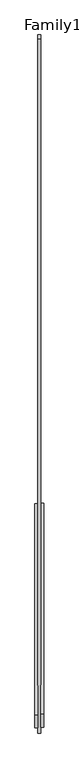
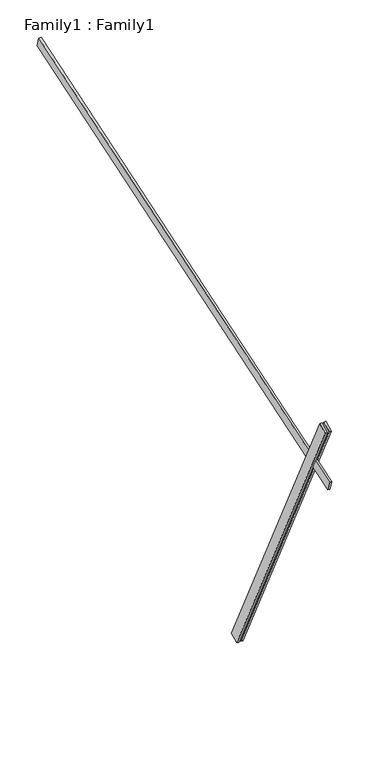
"""IFC4 building model written with IfcOpenShell, lengths in millimetres: proxy geometry, Family1 : Family1."""

import ifcopenshell
import ifcopenshell.guid

model = None  # the IFC model being written
_history = None  # IfcOwnerHistory: only IFC2X3 demands one
_inside = {}  # id of a spatial element -> (the spatial element, [elements in it])
_under = {}  # id of a project, library or spatial element -> (it, [spatial elements below it])
_declared = {}  # id of a project -> (the project, [libraries it declares])
_typed = {}  # id of a type object -> (the type object, [elements of that type])
_made_of = {}  # id of a material, layer set ... -> (it, [elements and type objects made of it])


def new_model(schema):
    """Start an empty IFC model of exactly this schema.

    Asked for "IFC4X3", IfcOpenShell would pick the latest addendum, in which some entities
    have other attributes; the version numbers below select the first issue.
    IFC2X3 requires an IfcOwnerHistory on every rooted entity: one is made here for all.
    """
    global model, _history
    if schema == "IFC4X3":
        model = ifcopenshell.file(schema_version=(4, 3, 0, 0))
    else:
        model = ifcopenshell.file(schema=schema)
    _inside.clear()
    _under.clear()
    _declared.clear()
    _typed.clear()
    _made_of.clear()
    _history = None
    if model.schema == "IFC2X3":
        org = make("IfcOrganization", Name="unknown")
        user = make(
            "IfcPersonAndOrganization",
            ThePerson=make("IfcPerson", FamilyName="unknown"),
            TheOrganization=org,
        )
        app = make(
            "IfcApplication",
            ApplicationDeveloper=org,
            Version="unknown",
            ApplicationFullName="unknown",
            ApplicationIdentifier="unknown",
        )
        _history = make(
            "IfcOwnerHistory",
            OwningUser=user,
            OwningApplication=app,
            ChangeAction="ADDED",
            CreationDate=0,
        )
    return model


def make(cls, **values):
    """One entity of the class cls with the attributes given. An attribute that is None is left unset."""
    return model.create_entity(
        cls, **{name: value for name, value in values.items() if value is not None}
    )


def rooted(cls, **values):
    """An entity with a GlobalId (a new one), such as an element, a storey or a relation."""
    return make(cls, GlobalId=ifcopenshell.guid.new(), OwnerHistory=_history, **values)


def si_unit(unit_type, name, prefix=None):
    """IfcSIUnit, for example si_unit("LENGTHUNIT", "METRE", prefix="MILLI")."""
    return make("IfcSIUnit", UnitType=unit_type, Prefix=prefix, Name=name)


def assignment(units):
    """IfcUnitAssignment: the units of a project."""
    return None if units is None else make("IfcUnitAssignment", Units=units)


def point(xyz):
    """IfcCartesianPoint."""
    return None if xyz is None else make("IfcCartesianPoint", Coordinates=xyz)


def direction(xyz):
    """IfcDirection."""
    return None if xyz is None else make("IfcDirection", DirectionRatios=xyz)


def frame(location, z_axis=None, x_axis=None):
    """IfcAxis2Placement3D, a coordinate frame: its origin and axes. An axis left out is left unset."""
    return make(
        "IfcAxis2Placement3D",
        Location=point(location),
        Axis=direction(z_axis),
        RefDirection=direction(x_axis),
    )


def origin():
    """The frame at (0, 0, 0) with its axes left unset."""
    return frame((0.0, 0.0, 0.0))


def place(relative_to, where):
    """IfcLocalPlacement: puts the frame where relative to a parent placement (None: the world)."""
    return make(
        "IfcLocalPlacement", PlacementRelTo=relative_to, RelativePlacement=where
    )


def context(
    kind, dimensions, precision=None, world=None, true_north=None, identifier=None
):
    """IfcGeometricRepresentationContext, for example the 3D "Model" context."""
    return make(
        "IfcGeometricRepresentationContext",
        ContextIdentifier=identifier,
        ContextType=kind,
        CoordinateSpaceDimension=dimensions,
        Precision=precision,
        WorldCoordinateSystem=world,
        TrueNorth=true_north,
    )


def project(units=None, contexts=None):
    """IfcProject with its units and contexts."""
    return rooted(
        "IfcProject",
        Name="project",
        RepresentationContexts=contexts,
        UnitsInContext=assignment(units),
    )


def spatial(cls, under=None, at=None, **own):
    """A site, building, storey or space (cls), placed at a placement, below another one or the project."""
    s = rooted(cls, ObjectPlacement=at, **own)
    if under is not None:
        _under.setdefault(under.id(), (under, []))[1].append(s)
    return s


def polyline(points):
    """IfcPolyline through the points."""
    return make("IfcPolyline", Points=[point(p) for p in points])


def outline(outer, holes=None, kind="AREA"):
    """IfcArbitraryClosedProfileDef: a profile drawn as a closed curve; with holes, ...WithVoids."""
    if holes is None:
        return make("IfcArbitraryClosedProfileDef", ProfileType=kind, OuterCurve=outer)
    return make(
        "IfcArbitraryProfileDefWithVoids",
        ProfileType=kind,
        OuterCurve=outer,
        InnerCurves=holes,
    )


def extrude(swept, where, along, depth):
    """IfcExtrudedAreaSolid: the profile swept, set in the frame where, extruded along a direction by depth."""
    return make(
        "IfcExtrudedAreaSolid",
        SweptArea=swept,
        Position=where,
        ExtrudedDirection=direction(along),
        Depth=depth,
    )


def shape(context_of_items, identifier, shape_type, items):
    """IfcShapeRepresentation: the items that make up one representation, for example the "Body"."""
    return make(
        "IfcShapeRepresentation",
        ContextOfItems=context_of_items,
        RepresentationIdentifier=identifier,
        RepresentationType=shape_type,
        Items=items,
    )


def source(mapping_origin, context_of_items, identifier, shape_type, items):
    """IfcRepresentationMap: a shape defined once, which mapped items show again and again."""
    return make(
        "IfcRepresentationMap",
        MappingOrigin=mapping_origin,
        MappedRepresentation=shape(context_of_items, identifier, shape_type, items),
    )


def transform(
    local_origin,
    x_axis=None,
    y_axis=None,
    z_axis=None,
    scale=None,
    scale2=None,
    scale3=None,
    uniform=True,
):
    """IfcCartesianTransformationOperator3D, or its non-uniform kind. x_axis, y_axis, z_axis: its Axis1, 2, 3."""
    if uniform:
        return make(
            "IfcCartesianTransformationOperator3D",
            Axis1=direction(x_axis),
            Axis2=direction(y_axis),
            LocalOrigin=point(local_origin),
            Scale=scale,
            Axis3=direction(z_axis),
        )
    return make(
        "IfcCartesianTransformationOperator3DnonUniform",
        Axis1=direction(x_axis),
        Axis2=direction(y_axis),
        LocalOrigin=point(local_origin),
        Scale=scale,
        Axis3=direction(z_axis),
        Scale2=scale2,
        Scale3=scale3,
    )


def mapped(mapping_source, mapping_target):
    """IfcMappedItem: shows the shape of a source again, moved by a transform."""
    return make(
        "IfcMappedItem", MappingSource=mapping_source, MappingTarget=mapping_target
    )


def made_of(thing, what):
    """Note that an element or type object is made of a material, layer set ...; save() writes the relation."""
    if what is not None:
        _made_of.setdefault(what.id(), (what, []))[1].append(thing)
    return thing


def element(
    cls,
    number,
    at=None,
    inside=None,
    cuts=None,
    type_object=None,
    material=None,
    context=None,
    identifier="Body",
    shape_type=None,
    held_by="IfcProductDefinitionShape",
    body=None,
    shapes=None,
    **own,
):
    """One element of the class cls, such as IfcWall. Its Tag is "e" and its number.

    at: its placement. inside: the storey or other place that contains it. cuts: it is an
    opening in that element (IfcRelVoidsElement). A single representation is given by context,
    identifier, shape_type and body (its items); several are given by shapes. held_by: the class
    of the entity that holds the representations. save() writes the other relations.
    """
    e = rooted(cls, Tag="e%d" % number, ObjectPlacement=at, **own)
    if body is not None:
        shapes = [shape(context, identifier, shape_type, body)]
    if shapes is not None:
        e.Representation = make(held_by, Representations=shapes)
    if inside is not None:
        _inside.setdefault(inside.id(), (inside, []))[1].append(e)
    if cuts is not None:
        rooted(
            "IfcRelVoidsElement", RelatingBuildingElement=cuts, RelatedOpeningElement=e
        )
    if type_object is not None:
        _typed.setdefault(type_object.id(), (type_object, []))[1].append(e)
    return made_of(e, material)


def aggregate(whole, parts):
    """IfcRelAggregates: a whole, such as a stair, and the parts it consists of."""
    return rooted("IfcRelAggregates", RelatingObject=whole, RelatedObjects=parts)


def save(model, path):
    """Write the relations noted so far, then the file.

    IfcRelAggregates (storeys below a building ...), IfcRelContainedInSpatialStructure (elements
    in a storey), IfcRelDefinesByType, IfcRelAssociatesMaterial and IfcRelDeclares: one each for
    every whole, place, type object, material and project.
    """
    for whole, parts in _under.values():
        aggregate(whole, parts)
    for where, things in _inside.values():
        rooted(
            "IfcRelContainedInSpatialStructure",
            RelatedElements=things,
            RelatingStructure=where,
        )
    for kind, things in _typed.values():
        rooted("IfcRelDefinesByType", RelatedObjects=things, RelatingType=kind)
    for what, things in _made_of.values():
        rooted("IfcRelAssociatesMaterial", RelatedObjects=things, RelatingMaterial=what)
    for by, libraries in _declared.values():
        rooted("IfcRelDeclares", RelatingContext=by, RelatedDefinitions=libraries)
    model.write(path)


def family1_family1_a363d842(model_context):
    return source(origin(), model_context, "Body", "SweptSolid", [
        extrude(outline(polyline([(0.0, 0.0), (-100.0000001, 0.0), (-100.0000001, 20.0), (0.0, 20.0), (0.0, 0.0)])), frame((-30.0, -46.3241747, -22.5938096), z_axis=(0.0, -0.4383711467890692, 0.8987940462991711), x_axis=(0.0, -0.8987940462991711, -0.4383711467890692)), (0.0, 0.0, 1.0), 3300.0),
        extrude(outline(polyline([(0.0, 0.0), (-99.9999999, 0.0), (-99.9999999, 20.0), (0.0, 20.0), (0.0, 0.0)])), frame((10.0, -45.270232, -22.0797674), z_axis=(0.0, -0.4383711467890692, 0.8987940462991711), x_axis=(0.0, -0.8987940462991711, -0.4383711467890692)), (0.0, 0.0, 1.0), 3300.0),
        extrude(outline(polyline([(0.0, 20.0), (5000.0, 20.0), (5000.0, 0.0), (0.0, 0.0), (0.0, 20.0)])), frame((-10.0, 3256.3247611, 3920.9134462), z_axis=(0.0, -0.3090169943749495, 0.9510565162951529), x_axis=(0.0, -0.9510565162951529, -0.3090169943749495)), (0.0, 0.0, 1.0), 100.0),
    ])


if __name__ == "__main__":
    model = new_model("IFC4")
    model_context = context("Model", 3, world=origin())
    ifc_project = project(units=[si_unit("LENGTHUNIT", "METRE", prefix="MILLI")], contexts=[model_context])
    site = spatial("IfcSite", under=ifc_project)
    building = spatial("IfcBuilding", under=site)
    placement = place(None, origin())
    family1_family1_shape = family1_family1_a363d842(model_context)
    element("IfcBuildingElementProxy", 1, Name="Family1 : Family1", ObjectType="Family1 : Family1", at=placement, inside=building, context=model_context, shape_type="MappedRepresentation", body=[
        mapped(family1_family1_shape, transform((0.0, 0.0, 0.0), x_axis=(1.0, 0.0, 0.0), y_axis=(0.0, 1.0, 0.0), z_axis=(0.0, 0.0, 1.0))),
    ])
    save(model, "model.ifc")
